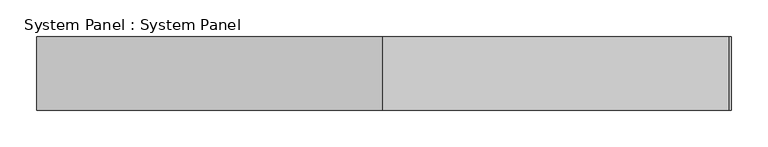
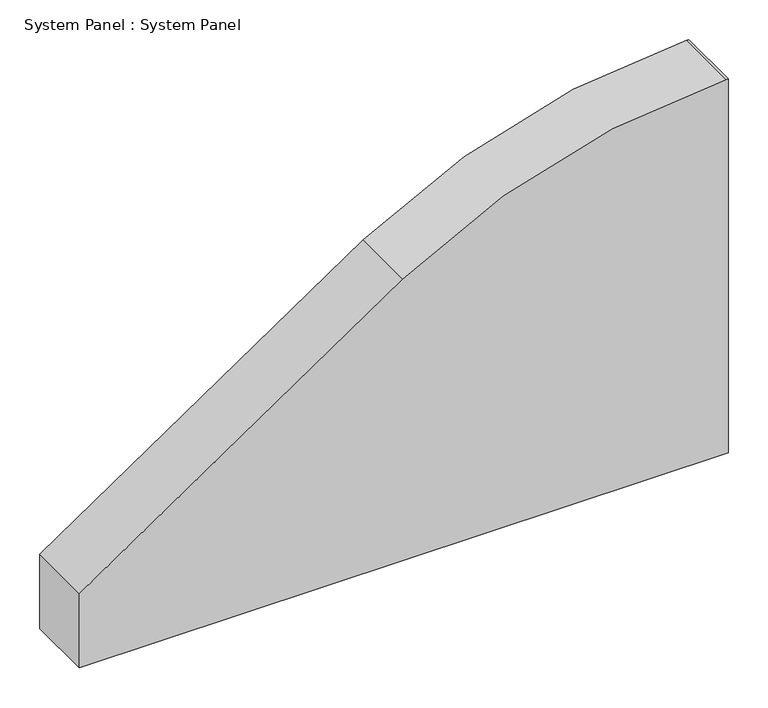
"""IFC4 building model written with IfcOpenShell, lengths in millimetres: plate geometry, System Panel : System Panel."""

from ifc_helpers import new_model, si_unit, point, frame, frame_2d, origin, place, context, project, spatial, polyline, circle_curve, trimmed, segment, composite_curve, outline, extrude, source, transform, mapped, element, save


def system_panel_system_panel_d413dc1d(model_context):
    return source(origin(), model_context, "Body", "SweptSolid", [
        extrude(outline(composite_curve([segment(polyline([(0.0, 473.1695549), (576.4001654, 473.1695549)]), True, "CONTINUOUS"), segment(trimmed(circle_curve(frame_2d((-312.1035079, 458.9430983)), 888.6175609), [point((576.4001654, 473.1695549))], [point((576.4431905, 470.1651469))], False, "CARTESIAN"), True, "CONTINUOUS"), segment(trimmed(circle_curve(frame_2d((-312.1035079, 481.3871954)), 888.6175609), [point((576.4431905, 470.1651469))], [point((433.8550991, -1.5071266))], False, "CARTESIAN"), True, "CONTINUOUS"), segment(trimmed(circle_curve(frame_2d((-11167.4463997, 7508.5645698)), 13819.9628564), [point((433.8550991, -1.5071266))], [point((114.5433944, -473.1695549))], False, "CARTESIAN"), True, "CONTINUOUS"), segment(polyline([(114.5433944, -473.1695549), (0.0, -473.1695549), (0.0, 473.1695549)]), True, "CONTINUOUS")], self_intersect=False)), frame((0.0, -50.0, 0.0), z_axis=(0.0, 1.0, 0.0), x_axis=(0.0, 0.0, 1.0)), (0.0, 0.0, 1.0), 100.0),
    ])


if __name__ == "__main__":
    model = new_model("IFC4")
    model_context = context("Model", 3, world=origin())
    ifc_project = project(units=[si_unit("LENGTHUNIT", "METRE", prefix="MILLI")], contexts=[model_context])
    site = spatial("IfcSite", under=ifc_project)
    building = spatial("IfcBuilding", under=site)
    placement = place(None, origin())
    system_panel_system_panel_shape = system_panel_system_panel_d413dc1d(model_context)
    element("IfcPlate", 1, ObjectType="System Panel : System Panel", at=placement, inside=building, context=model_context, shape_type="MappedRepresentation", body=[
        mapped(system_panel_system_panel_shape, transform((0.0, 0.0, 0.0), x_axis=(1.0, 0.0, 0.0), y_axis=(0.0, 1.0, 0.0), z_axis=(0.0, 0.0, 1.0))),
    ])
    save(model, "model.ifc")
